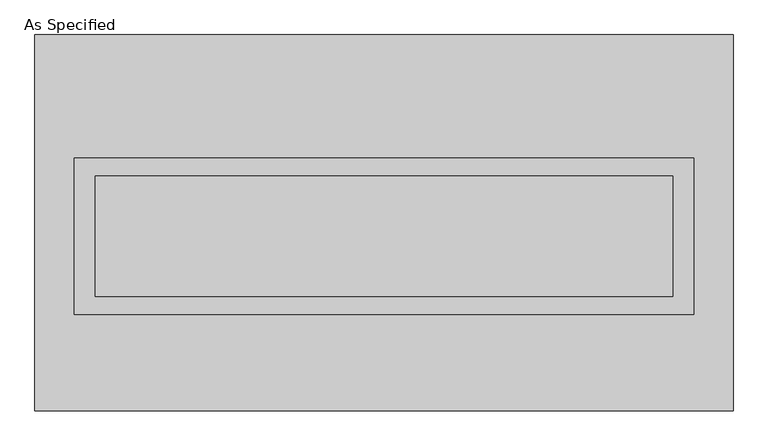
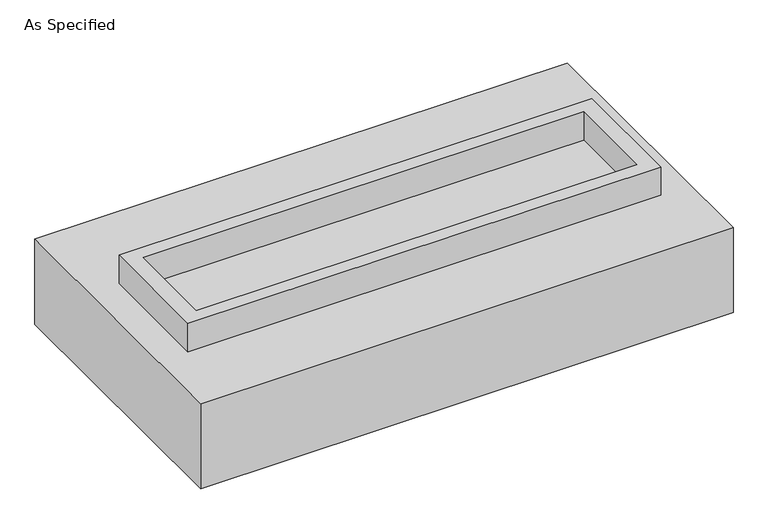
"""IFC4 building model written with IfcOpenShell, lengths in millimetres: proxy geometry, As Specified."""

from ifc_helpers import new_model, si_unit, frame, origin, place, context, project, spatial, polyline, outline, extrude, faceted_brep, source, transform, mapped, element, save


def as_specified_d52d4b00(model_context):
    return source(origin(), model_context, "Body", "SolidModel", [
        extrude(outline(polyline([(1308.1, 273.05), (1308.1, -387.35), (-1308.1, -387.35), (-1308.1, 273.05), (1308.1, 273.05)]), holes=[polyline([(1219.2, 196.85), (-1219.2, 196.85), (-1219.2, -311.15), (1219.2, -311.15), (1219.2, 196.85)])]), frame((0.0, 0.0, -25.4), z_axis=(0.0, 0.0, 1.0), x_axis=(1.0, 0.0, 0.0)), (0.0, 0.0, 1.0), 165.1),
        extrude(outline(polyline([(1219.2, 196.85), (1219.2, -311.15), (-1219.2, -311.15), (-1219.2, 196.85), (1219.2, 196.85)])), frame((0.0, 0.0, -30.3609375), z_axis=(0.0, 0.0, 1.0), x_axis=(1.0, 0.0, 0.0)), (0.0, 0.0, 1.0), 4.9609375),
        faceted_brep([(1473.2, -793.75, -523.875), (-1473.2, -793.75, -523.875), (-1473.2, 793.75, -523.875), (1473.2, 793.75, -523.875), (1473.2, 793.75, -25.4), (-1473.2, 793.75, -25.4), (-1473.2, -793.75, -25.4), (1473.2, -793.75, -25.4), (1308.1, 273.05, -25.4), (1308.1, -387.35, -25.4), (-1308.1, -387.35, -25.4), (-1308.1, 273.05, -25.4), (1308.1, 273.05, -498.475), (-1308.1, 273.05, -498.475), (-1308.1, -387.35, -498.475), (1308.1, -387.35, -498.475)], [[[0, 1, 2, 3]], [[4, 5, 6, 7], [8, 9, 10, 11]], [[3, 2, 5, 4]], [[2, 1, 6, 5]], [[0, 3, 4, 7]], [[12, 13, 14, 15]], [[14, 13, 11, 10]], [[13, 12, 8, 11]], [[12, 15, 9, 8]], [[10, 9, 15, 14]], [[1, 0, 7, 6]]]),
    ])


if __name__ == "__main__":
    model = new_model("IFC4")
    model_context = context("Model", 3, world=origin())
    ifc_project = project(units=[si_unit("LENGTHUNIT", "METRE", prefix="MILLI")], contexts=[model_context])
    site = spatial("IfcSite", under=ifc_project)
    building = spatial("IfcBuilding", under=site)
    placement = place(None, origin())
    as_specified_shape = as_specified_d52d4b00(model_context)
    element("IfcBuildingElementProxy", 1, Name="As Specified", ObjectType="As Specified", at=placement, inside=building, context=model_context, shape_type="MappedRepresentation", body=[
        mapped(as_specified_shape, transform((0.0, 0.0, 0.0), x_axis=(1.0, 0.0, 0.0), y_axis=(0.0, 1.0, 0.0), z_axis=(0.0, 0.0, 1.0))),
    ])
    save(model, "model.ifc")
